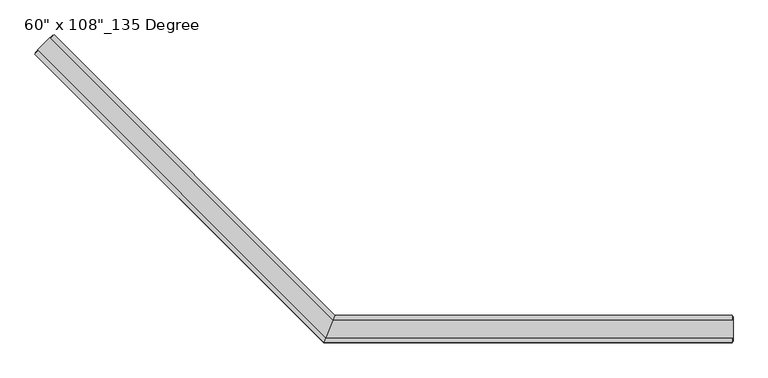
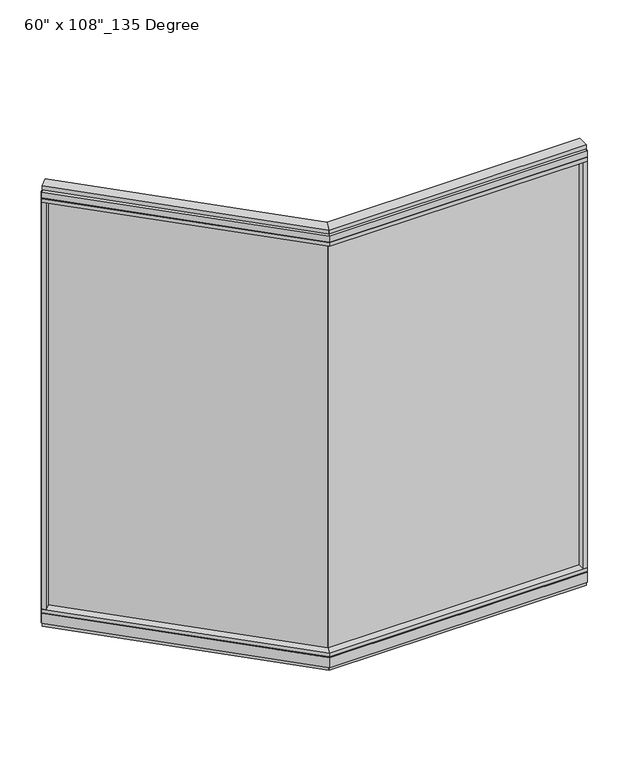
"""IFC4 building model written with IfcOpenShell, lengths in millimetres: furniture geometry."""

from ifc_helpers import new_model, si_unit, frame, origin, origin_with_axes, place, context, project, spatial, polyline, outline, extrude, faceted_brep, source, transform, mapped, element, save


def furniture_32c65a7d(model_context):
    return source(origin(), model_context, "Body", "SolidModel", [
        extrude(outline(polyline([(-1848.8390078, 1036.1426073), (-1841.6548029, 1043.3268122), (-795.9937802, -2.3342105), (-803.1779851, -9.5184154), (-1848.8390078, 1036.1426073)])), frame((0.0, 0.0, 120.523), z_axis=(0.0, 0.0, 1.0), x_axis=(1.0, 0.0, 0.0)), (0.0, 0.0, 1.0), 2533.777),
        extrude(outline(polyline([(-1825.0413291, 1091.3711825), (-779.952425, 46.2822784), (-822.0365229, -55.3177216), (-1896.8833781, 1019.5291335), (-1825.0413291, 1091.3711825)])), frame((0.0, 0.0, 2654.3), z_axis=(0.0, 0.0, 1.0), x_axis=(1.0, 0.0, 0.0)), (0.0, 0.0, 1.0), 22.225),
        faceted_brep([(-779.952425, 46.2822784, 2681.478), (-779.952425, 46.2822784, 2717.8), (-822.0365229, -55.3177216, 2717.8), (-822.0365229, -55.3177216, 2681.478), (-819.9849232, -50.3647216, 2681.478), (-819.9849232, -50.3647216, 2676.525), (-782.0040248, 41.3292784, 2676.525), (-782.0040248, 41.3292784, 2681.478), (-1825.0413291, 1091.3711825, 2681.478), (-1828.543629, 1087.8688826, 2681.478), (-1828.543629, 1087.8688826, 2676.525), (-1893.3810782, 1023.0314334, 2676.525), (-1893.3810782, 1023.0314334, 2681.478), (-1896.8833781, 1019.5291335, 2681.478), (-1896.8833781, 1019.5291335, 2717.8), (-1825.0413291, 1091.3711825, 2717.8)], [[[0, 1, 2, 3, 4, 5, 6, 7]], [[8, 9, 10, 11, 12, 13, 14, 15]], [[8, 0, 7, 9]], [[13, 3, 2, 14]], [[14, 2, 1, 15]], [[15, 1, 0, 8]], [[9, 7, 6, 10]], [[10, 6, 5, 11]], [[11, 5, 4, 12]], [[12, 4, 3, 13]]]),
        extrude(outline(polyline([(-1840.7567773, 1081.2234931), (-787.5275626, 27.9942784), (-814.4613853, -37.0297216), (-1886.7356887, 1035.2445817), (-1840.7567773, 1081.2234931)])), frame((0.0, 0.0, 2717.8), z_axis=(0.0, 0.0, 1.0), x_axis=(1.0, 0.0, 0.0)), (0.0, 0.0, 1.0), 25.4),
        faceted_brep([(-782.0040248, 41.3292784, 93.345), (-782.0040248, 41.3292784, 98.298), (-819.9849232, -50.3647216, 98.298), (-819.9849232, -50.3647216, 93.345), (-822.0365229, -55.3177216, 93.345), (-822.0365229, -55.3177216, 31.75), (-779.952425, 46.2822784, 31.75), (-779.952425, 46.2822784, 93.345), (-1825.0413291, 1091.3711825, 93.345), (-1825.0413291, 1091.3711825, 31.75), (-1896.8833781, 1019.5291335, 31.75), (-1896.8833781, 1019.5291335, 93.345), (-1893.3810782, 1023.0314334, 93.345), (-1893.3810782, 1023.0314334, 98.298), (-1828.543629, 1087.8688826, 98.298), (-1828.543629, 1087.8688826, 93.345)], [[[0, 1, 2, 3, 4, 5, 6, 7]], [[8, 9, 10, 11, 12, 13, 14, 15]], [[15, 0, 7, 8]], [[10, 5, 4, 11]], [[9, 6, 5, 10]], [[8, 7, 6, 9]], [[14, 1, 0, 15]], [[13, 2, 1, 14]], [[12, 3, 2, 13]], [[11, 4, 3, 12]]]),
        extrude(outline(polyline([(-1825.0413291, 1091.3711825), (-779.952425, 46.2822784), (-822.0365229, -55.3177216), (-1896.8833781, 1019.5291335), (-1825.0413291, 1091.3711825)])), frame((0.0, 0.0, 98.298), z_axis=(0.0, 0.0, 1.0), x_axis=(1.0, 0.0, 0.0)), (0.0, 0.0, 1.0), 22.225),
        extrude(outline(polyline([(-1840.7567773, 1081.2234931), (-787.5275626, 27.9942784), (-814.4613853, -37.0297216), (-1886.7356887, 1035.2445817), (-1840.7567773, 1081.2234931)])), origin_with_axes(), (0.0, 0.0, 1.0), 31.75),
        extrude(outline(polyline([(-1881.1679299, 1003.8136853), (-1896.8833781, 1019.5291335), (-1825.0413291, 1091.3711825), (-1809.3258809, 1075.6557343), (-1881.1679299, 1003.8136853)])), frame((0.0, 0.0, 120.523), z_axis=(0.0, 0.0, 1.0), x_axis=(1.0, 0.0, 0.0)), (0.0, 0.0, 1.0), 2533.777),
        extrude(outline(polyline([(-1896.1649576, 1025.8153128), (-1831.3275084, 1090.652762), (-1828.543629, 1087.8688826), (-1893.3810782, 1023.0314334), (-1896.1649576, 1025.8153128)])), frame((0.0, 0.0, 31.75), z_axis=(0.0, 0.0, 1.0), x_axis=(1.0, 0.0, 0.0)), (0.0, 0.0, 1.0), 2686.05),
        extrude(outline(polyline([(675.8014771, -9.5977216), (-802.9865229, -9.5977216), (-802.9865229, 0.5622784), (675.8014771, 0.5622784), (675.8014771, -9.5977216)])), frame((0.0, 0.0, 120.523), z_axis=(0.0, 0.0, 1.0), x_axis=(1.0, 0.0, 0.0)), (0.0, 0.0, 1.0), 2533.777),
        extrude(outline(polyline([(698.0264771, 46.2822784), (698.0264771, -55.3177216), (-822.0365229, -55.3177216), (-779.952425, 46.2822784), (698.0264771, 46.2822784)])), frame((0.0, 0.0, 2654.3), z_axis=(0.0, 0.0, 1.0), x_axis=(1.0, 0.0, 0.0)), (0.0, 0.0, 1.0), 22.225),
        faceted_brep([(-779.952425, 46.2822784, 2681.478), (-782.0040248, 41.3292784, 2681.478), (-782.0040248, 41.3292784, 2676.525), (-819.9849232, -50.3647216, 2676.525), (-819.9849232, -50.3647216, 2681.478), (-822.0365229, -55.3177216, 2681.478), (-822.0365229, -55.3177216, 2717.8), (-779.952425, 46.2822784, 2717.8), (698.0264771, 46.2822784, 2681.478), (698.0264771, 46.2822784, 2717.8), (698.0264771, -55.3177216, 2717.8), (698.0264771, -55.3177216, 2681.478), (698.0264771, -50.3647216, 2681.478), (698.0264771, -50.3647216, 2676.525), (698.0264771, 41.3292784, 2676.525), (698.0264771, 41.3292784, 2681.478)], [[[0, 1, 2, 3, 4, 5, 6, 7]], [[8, 9, 10, 11, 12, 13, 14, 15]], [[8, 15, 1, 0]], [[11, 10, 6, 5]], [[10, 9, 7, 6]], [[9, 8, 0, 7]], [[15, 14, 2, 1]], [[14, 13, 3, 2]], [[13, 12, 4, 3]], [[12, 11, 5, 4]]]),
        extrude(outline(polyline([(701.9634771, 27.9942784), (701.9634771, -37.0297216), (-814.4613853, -37.0297216), (-787.5275626, 27.9942784), (701.9634771, 27.9942784)])), frame((0.0, 0.0, 2717.8), z_axis=(0.0, 0.0, 1.0), x_axis=(1.0, 0.0, 0.0)), (0.0, 0.0, 1.0), 25.4),
        faceted_brep([(-782.0040248, 41.3292784, 93.345), (-779.952425, 46.2822784, 93.345), (-779.952425, 46.2822784, 31.75), (-822.0365229, -55.3177216, 31.75), (-822.0365229, -55.3177216, 93.345), (-819.9849232, -50.3647216, 93.345), (-819.9849232, -50.3647216, 98.298), (-782.0040248, 41.3292784, 98.298), (698.0264771, 46.2822784, 93.345), (698.0264771, 41.3292784, 93.345), (698.0264771, 41.3292784, 98.298), (698.0264771, -50.3647216, 98.298), (698.0264771, -50.3647216, 93.345), (698.0264771, -55.3177216, 93.345), (698.0264771, -55.3177216, 31.75), (698.0264771, 46.2822784, 31.75)], [[[0, 1, 2, 3, 4, 5, 6, 7]], [[8, 9, 10, 11, 12, 13, 14, 15]], [[9, 8, 1, 0]], [[14, 13, 4, 3]], [[15, 14, 3, 2]], [[8, 15, 2, 1]], [[10, 9, 0, 7]], [[11, 10, 7, 6]], [[12, 11, 6, 5]], [[13, 12, 5, 4]]]),
        extrude(outline(polyline([(698.0264771, 46.2822784), (698.0264771, -55.3177216), (-822.0365229, -55.3177216), (-779.952425, 46.2822784), (698.0264771, 46.2822784)])), frame((0.0, 0.0, 98.298), z_axis=(0.0, 0.0, 1.0), x_axis=(1.0, 0.0, 0.0)), (0.0, 0.0, 1.0), 22.225),
        extrude(outline(polyline([(701.9634771, 27.9942784), (701.9634771, -37.0297216), (-814.4613853, -37.0297216), (-787.5275626, 27.9942784), (701.9634771, 27.9942784)])), origin_with_axes(), (0.0, 0.0, 1.0), 31.75),
        extrude(outline(polyline([(675.8014771, -55.3177216), (675.8014771, 46.2822784), (698.0264771, 46.2822784), (698.0264771, -55.3177216), (675.8014771, -55.3177216)])), frame((0.0, 0.0, 120.523), z_axis=(0.0, 0.0, 1.0), x_axis=(1.0, 0.0, 0.0)), (0.0, 0.0, 1.0), 2533.777),
        extrude(outline(polyline([(701.9634771, -50.3647216), (698.0264771, -50.3647216), (698.0264771, 41.3292784), (701.9634771, 41.3292784), (701.9634771, -50.3647216)])), frame((0.0, 0.0, 31.75), z_axis=(0.0, 0.0, 1.0), x_axis=(1.0, 0.0, 0.0)), (0.0, 0.0, 1.0), 2686.05),
    ])


if __name__ == "__main__":
    model = new_model("IFC4")
    model_context = context("Model", 3, world=origin())
    ifc_project = project(units=[si_unit("LENGTHUNIT", "METRE", prefix="MILLI")], contexts=[model_context])
    site = spatial("IfcSite", under=ifc_project)
    building = spatial("IfcBuilding", under=site)
    placement = place(None, origin())
    furniture_shape = furniture_32c65a7d(model_context)
    element("IfcFurniture", 1, ObjectType="60\" x 108\"_135 Degree", at=placement, inside=building, context=model_context, shape_type="MappedRepresentation", body=[
        mapped(furniture_shape, transform((0.0, 0.0, 0.0), x_axis=(1.0, 0.0, 0.0), y_axis=(0.0, 1.0, 0.0), z_axis=(0.0, 0.0, 1.0))),
    ])
    save(model, "model.ifc")
